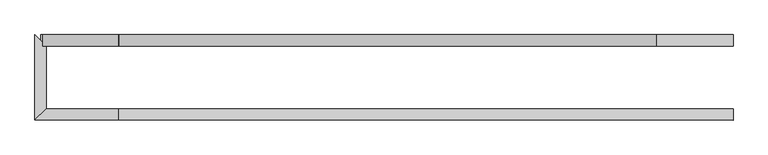
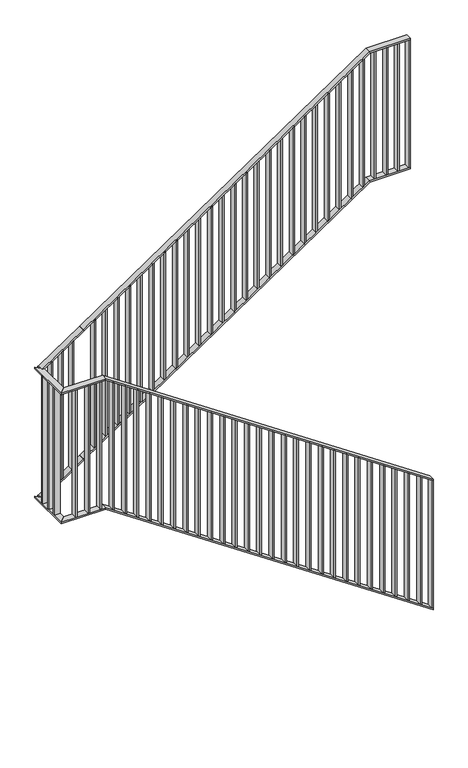
"""IFC4 building model written with IfcOpenShell, lengths in millimetres: railing geometry."""

import ifcopenshell
import ifcopenshell.guid

model = None  # the IFC model being written
_history = None  # IfcOwnerHistory: only IFC2X3 demands one
_inside = {}  # id of a spatial element -> (the spatial element, [elements in it])
_under = {}  # id of a project, library or spatial element -> (it, [spatial elements below it])
_declared = {}  # id of a project -> (the project, [libraries it declares])
_typed = {}  # id of a type object -> (the type object, [elements of that type])
_made_of = {}  # id of a material, layer set ... -> (it, [elements and type objects made of it])


def new_model(schema):
    """Start an empty IFC model of exactly this schema.

    Asked for "IFC4X3", IfcOpenShell would pick the latest addendum, in which some entities
    have other attributes; the version numbers below select the first issue.
    IFC2X3 requires an IfcOwnerHistory on every rooted entity: one is made here for all.
    """
    global model, _history
    if schema == "IFC4X3":
        model = ifcopenshell.file(schema_version=(4, 3, 0, 0))
    else:
        model = ifcopenshell.file(schema=schema)
    _inside.clear()
    _under.clear()
    _declared.clear()
    _typed.clear()
    _made_of.clear()
    _history = None
    if model.schema == "IFC2X3":
        org = make("IfcOrganization", Name="unknown")
        user = make(
            "IfcPersonAndOrganization",
            ThePerson=make("IfcPerson", FamilyName="unknown"),
            TheOrganization=org,
        )
        app = make(
            "IfcApplication",
            ApplicationDeveloper=org,
            Version="unknown",
            ApplicationFullName="unknown",
            ApplicationIdentifier="unknown",
        )
        _history = make(
            "IfcOwnerHistory",
            OwningUser=user,
            OwningApplication=app,
            ChangeAction="ADDED",
            CreationDate=0,
        )
    return model


def make(cls, **values):
    """One entity of the class cls with the attributes given. An attribute that is None is left unset."""
    return model.create_entity(
        cls, **{name: value for name, value in values.items() if value is not None}
    )


def rooted(cls, **values):
    """An entity with a GlobalId (a new one), such as an element, a storey or a relation."""
    return make(cls, GlobalId=ifcopenshell.guid.new(), OwnerHistory=_history, **values)


def si_unit(unit_type, name, prefix=None):
    """IfcSIUnit, for example si_unit("LENGTHUNIT", "METRE", prefix="MILLI")."""
    return make("IfcSIUnit", UnitType=unit_type, Prefix=prefix, Name=name)


def assignment(units):
    """IfcUnitAssignment: the units of a project."""
    return None if units is None else make("IfcUnitAssignment", Units=units)


def point(xyz):
    """IfcCartesianPoint."""
    return None if xyz is None else make("IfcCartesianPoint", Coordinates=xyz)


def direction(xyz):
    """IfcDirection."""
    return None if xyz is None else make("IfcDirection", DirectionRatios=xyz)


def frame(location, z_axis=None, x_axis=None):
    """IfcAxis2Placement3D, a coordinate frame: its origin and axes. An axis left out is left unset."""
    return make(
        "IfcAxis2Placement3D",
        Location=point(location),
        Axis=direction(z_axis),
        RefDirection=direction(x_axis),
    )


def origin():
    """The frame at (0, 0, 0) with its axes left unset."""
    return frame((0.0, 0.0, 0.0))


def place(relative_to, where):
    """IfcLocalPlacement: puts the frame where relative to a parent placement (None: the world)."""
    return make(
        "IfcLocalPlacement", PlacementRelTo=relative_to, RelativePlacement=where
    )


def context(
    kind, dimensions, precision=None, world=None, true_north=None, identifier=None
):
    """IfcGeometricRepresentationContext, for example the 3D "Model" context."""
    return make(
        "IfcGeometricRepresentationContext",
        ContextIdentifier=identifier,
        ContextType=kind,
        CoordinateSpaceDimension=dimensions,
        Precision=precision,
        WorldCoordinateSystem=world,
        TrueNorth=true_north,
    )


def project(units=None, contexts=None):
    """IfcProject with its units and contexts."""
    return rooted(
        "IfcProject",
        Name="project",
        RepresentationContexts=contexts,
        UnitsInContext=assignment(units),
    )


def spatial(cls, under=None, at=None, **own):
    """A site, building, storey or space (cls), placed at a placement, below another one or the project."""
    s = rooted(cls, ObjectPlacement=at, **own)
    if under is not None:
        _under.setdefault(under.id(), (under, []))[1].append(s)
    return s


def polyline(points):
    """IfcPolyline through the points."""
    return make("IfcPolyline", Points=[point(p) for p in points])


def outline(outer, holes=None, kind="AREA"):
    """IfcArbitraryClosedProfileDef: a profile drawn as a closed curve; with holes, ...WithVoids."""
    if holes is None:
        return make("IfcArbitraryClosedProfileDef", ProfileType=kind, OuterCurve=outer)
    return make(
        "IfcArbitraryProfileDefWithVoids",
        ProfileType=kind,
        OuterCurve=outer,
        InnerCurves=holes,
    )


def extrude(swept, where, along, depth):
    """IfcExtrudedAreaSolid: the profile swept, set in the frame where, extruded along a direction by depth."""
    return make(
        "IfcExtrudedAreaSolid",
        SweptArea=swept,
        Position=where,
        ExtrudedDirection=direction(along),
        Depth=depth,
    )


def faces_of(points, faces, orient=None, outer=None):
    """IfcFace entities. A face is a list of loops; a loop is a list of indices into points, from 0.

    orient and outer hold one flag for each loop. By default every Orientation is true, the
    first loop of a face is its IfcFaceOuterBound and the others are IfcFaceBound.
    """
    made = []
    for i, loops in enumerate(faces):
        bounds = []
        for j, loop in enumerate(loops):
            is_outer = j == 0 if outer is None else outer[i][j]
            bounds.append(
                make(
                    "IfcFaceOuterBound" if is_outer else "IfcFaceBound",
                    Bound=make("IfcPolyLoop", Polygon=[points[k] for k in loop]),
                    Orientation=True if orient is None else orient[i][j],
                )
            )
        made.append(make("IfcFace", Bounds=bounds))
    return made


def faceted_brep(points, faces, orient=None, outer=None, voids=None):
    """IfcFacetedBrep: a solid bounded by flat faces; with voids (closed shells), ...WithVoids."""
    shared = [point(p) for p in points]
    hull = make("IfcClosedShell", CfsFaces=faces_of(shared, faces, orient, outer))
    if voids is None:
        return make("IfcFacetedBrep", Outer=hull)
    return make(
        "IfcFacetedBrepWithVoids",
        Outer=hull,
        Voids=[
            make(cls, CfsFaces=faces_of(shared, fs, o, b)) for cls, fs, o, b in voids
        ],
    )


def shape(context_of_items, identifier, shape_type, items):
    """IfcShapeRepresentation: the items that make up one representation, for example the "Body"."""
    return make(
        "IfcShapeRepresentation",
        ContextOfItems=context_of_items,
        RepresentationIdentifier=identifier,
        RepresentationType=shape_type,
        Items=items,
    )


def source(mapping_origin, context_of_items, identifier, shape_type, items):
    """IfcRepresentationMap: a shape defined once, which mapped items show again and again."""
    return make(
        "IfcRepresentationMap",
        MappingOrigin=mapping_origin,
        MappedRepresentation=shape(context_of_items, identifier, shape_type, items),
    )


def transform(
    local_origin,
    x_axis=None,
    y_axis=None,
    z_axis=None,
    scale=None,
    scale2=None,
    scale3=None,
    uniform=True,
):
    """IfcCartesianTransformationOperator3D, or its non-uniform kind. x_axis, y_axis, z_axis: its Axis1, 2, 3."""
    if uniform:
        return make(
            "IfcCartesianTransformationOperator3D",
            Axis1=direction(x_axis),
            Axis2=direction(y_axis),
            LocalOrigin=point(local_origin),
            Scale=scale,
            Axis3=direction(z_axis),
        )
    return make(
        "IfcCartesianTransformationOperator3DnonUniform",
        Axis1=direction(x_axis),
        Axis2=direction(y_axis),
        LocalOrigin=point(local_origin),
        Scale=scale,
        Axis3=direction(z_axis),
        Scale2=scale2,
        Scale3=scale3,
    )


def mapped(mapping_source, mapping_target):
    """IfcMappedItem: shows the shape of a source again, moved by a transform."""
    return make(
        "IfcMappedItem", MappingSource=mapping_source, MappingTarget=mapping_target
    )


def made_of(thing, what):
    """Note that an element or type object is made of a material, layer set ...; save() writes the relation."""
    if what is not None:
        _made_of.setdefault(what.id(), (what, []))[1].append(thing)
    return thing


def element(
    cls,
    number,
    at=None,
    inside=None,
    cuts=None,
    type_object=None,
    material=None,
    context=None,
    identifier="Body",
    shape_type=None,
    held_by="IfcProductDefinitionShape",
    body=None,
    shapes=None,
    **own,
):
    """One element of the class cls, such as IfcWall. Its Tag is "e" and its number.

    at: its placement. inside: the storey or other place that contains it. cuts: it is an
    opening in that element (IfcRelVoidsElement). A single representation is given by context,
    identifier, shape_type and body (its items); several are given by shapes. held_by: the class
    of the entity that holds the representations. save() writes the other relations.
    """
    e = rooted(cls, Tag="e%d" % number, ObjectPlacement=at, **own)
    if body is not None:
        shapes = [shape(context, identifier, shape_type, body)]
    if shapes is not None:
        e.Representation = make(held_by, Representations=shapes)
    if inside is not None:
        _inside.setdefault(inside.id(), (inside, []))[1].append(e)
    if cuts is not None:
        rooted(
            "IfcRelVoidsElement", RelatingBuildingElement=cuts, RelatedOpeningElement=e
        )
    if type_object is not None:
        _typed.setdefault(type_object.id(), (type_object, []))[1].append(e)
    return made_of(e, material)


def aggregate(whole, parts):
    """IfcRelAggregates: a whole, such as a stair, and the parts it consists of."""
    return rooted("IfcRelAggregates", RelatingObject=whole, RelatedObjects=parts)


def save(model, path):
    """Write the relations noted so far, then the file.

    IfcRelAggregates (storeys below a building ...), IfcRelContainedInSpatialStructure (elements
    in a storey), IfcRelDefinesByType, IfcRelAssociatesMaterial and IfcRelDeclares: one each for
    every whole, place, type object, material and project.
    """
    for whole, parts in _under.values():
        aggregate(whole, parts)
    for where, things in _inside.values():
        rooted(
            "IfcRelContainedInSpatialStructure",
            RelatedElements=things,
            RelatingStructure=where,
        )
    for kind, things in _typed.values():
        rooted("IfcRelDefinesByType", RelatedObjects=things, RelatingType=kind)
    for what, things in _made_of.values():
        rooted("IfcRelAssociatesMaterial", RelatedObjects=things, RelatingMaterial=what)
    for by, libraries in _declared.values():
        rooted("IfcRelDeclares", RelatingContext=by, RelatedDefinitions=libraries)
    model.write(path)


def railing_4887252e(model_context):
    return source(origin(), model_context, "Body", "SolidModel", [
        faceted_brep([(12232.6470588, 6164.6, 1182.3529412), (12232.6470588, 6124.6, 1182.3529412), (12232.6470588, 6124.6, 1170.2899909), (12232.6470588, 6164.6, 1170.2899909), (10070.2941176, 6164.6, 2641.1764706), (10070.2941176, 6124.6, 2641.1764706), (10067.2362929, 6124.6, 2631.1764706), (10067.2362929, 6164.6, 2631.1764706), (9814.6, 6164.6, 2641.1764706), (9814.6, 6164.6, 2631.1764706), (9774.6, 6124.6, 2631.1764706), (9774.6, 6124.6, 2641.1764706)], [[[0, 1, 2, 3]], [[1, 0, 4, 5]], [[2, 1, 5, 6]], [[3, 2, 6, 7]], [[0, 3, 7, 4]], [[8, 9, 10, 11]], [[5, 4, 8, 11]], [[6, 5, 11, 10]], [[7, 6, 10, 9]], [[4, 7, 9, 8]]]),
        faceted_brep([(9814.6, 6164.6, 2641.1764706), (9774.6, 6124.6, 2641.1764706), (9774.6, 6124.6, 2631.1764706), (9814.6, 6164.6, 2631.1764706), (9814.6, 6385.4, 2641.1764706), (9814.6, 6385.4, 2631.1764706), (9774.6, 6425.4, 2631.1764706), (9774.6, 6425.4, 2641.1764706)], [[[0, 1, 2, 3]], [[4, 5, 6, 7]], [[1, 0, 4, 7]], [[2, 1, 7, 6]], [[3, 2, 6, 5]], [[0, 3, 5, 4]]]),
        faceted_brep([(9794.6, 6385.4, 2641.1764706), (9794.6, 6425.4, 2641.1764706), (9794.6, 6425.4, 2631.1764706), (9794.6, 6385.4, 2631.1764706), (9800.0, 6385.4, 2641.1764706), (9800.0, 6425.4, 2641.1764706), (9803.0578247, 6425.4, 2631.1764706), (9803.0578247, 6385.4, 2631.1764706), (10070.2941176, 6385.4, 2823.5294118), (10075.886832, 6385.4, 2815.2395658), (10075.886832, 6425.4, 2815.2395658), (10070.2941176, 6425.4, 2823.5294118)], [[[0, 1, 2, 3]], [[1, 0, 4, 5]], [[2, 1, 5, 6]], [[3, 2, 6, 7]], [[0, 3, 7, 4]], [[8, 9, 10, 11]], [[5, 4, 8, 11]], [[6, 5, 11, 10]], [[7, 6, 10, 9]], [[4, 7, 9, 8]]]),
        faceted_brep([(10070.2941176, 6385.4, 2823.5294118), (10070.2941176, 6425.4, 2823.5294118), (10075.886832, 6425.4, 2815.2395658), (10075.886832, 6385.4, 2815.2395658), (11962.3529412, 6385.4, 4100.0), (11962.3529412, 6425.4, 4100.0), (11965.4107659, 6425.4, 4090.0), (11965.4107659, 6385.4, 4090.0), (12232.6470588, 6385.4, 4100.0), (12232.6470588, 6385.4, 4090.0), (12232.6470588, 6425.4, 4090.0), (12232.6470588, 6425.4, 4100.0)], [[[0, 1, 2, 3]], [[1, 0, 4, 5]], [[2, 1, 5, 6]], [[3, 2, 6, 7]], [[0, 3, 7, 4]], [[8, 9, 10, 11]], [[5, 4, 8, 11]], [[6, 5, 11, 10]], [[7, 6, 10, 9]], [[4, 7, 9, 8]]]),
        faceted_brep([(12232.6470588, 6164.6, 282.3529412), (12232.6470588, 6124.6, 282.3529412), (12232.6470588, 6124.6, 270.2899909), (12232.6470588, 6164.6, 270.2899909), (10070.2941176, 6164.6, 1741.1764706), (10070.2941176, 6124.6, 1741.1764706), (10067.2362929, 6124.6, 1731.1764706), (10067.2362929, 6164.6, 1731.1764706), (9814.6, 6164.6, 1741.1764706), (9814.6, 6164.6, 1731.1764706), (9774.6, 6124.6, 1731.1764706), (9774.6, 6124.6, 1741.1764706)], [[[0, 1, 2, 3]], [[1, 0, 4, 5]], [[2, 1, 5, 6]], [[3, 2, 6, 7]], [[0, 3, 7, 4]], [[8, 9, 10, 11]], [[5, 4, 8, 11]], [[6, 5, 11, 10]], [[7, 6, 10, 9]], [[4, 7, 9, 8]]]),
        faceted_brep([(9814.6, 6164.6, 1741.1764706), (9774.6, 6124.6, 1741.1764706), (9774.6, 6124.6, 1731.1764706), (9814.6, 6164.6, 1731.1764706), (9814.6, 6385.4, 1741.1764706), (9814.6, 6385.4, 1731.1764706), (9774.6, 6425.4, 1731.1764706), (9774.6, 6425.4, 1741.1764706)], [[[0, 1, 2, 3]], [[4, 5, 6, 7]], [[1, 0, 4, 7]], [[2, 1, 7, 6]], [[3, 2, 6, 5]], [[0, 3, 5, 4]]]),
        faceted_brep([(9794.6, 6385.4, 1741.1764706), (9794.6, 6425.4, 1741.1764706), (9794.6, 6425.4, 1731.1764706), (9794.6, 6385.4, 1731.1764706), (9800.0, 6385.4, 1741.1764706), (9800.0, 6425.4, 1741.1764706), (9803.0578247, 6425.4, 1731.1764706), (9803.0578247, 6385.4, 1731.1764706), (10070.2941176, 6385.4, 1923.5294118), (10075.886832, 6385.4, 1915.2395658), (10075.886832, 6425.4, 1915.2395658), (10070.2941176, 6425.4, 1923.5294118)], [[[0, 1, 2, 3]], [[1, 0, 4, 5]], [[2, 1, 5, 6]], [[3, 2, 6, 7]], [[0, 3, 7, 4]], [[8, 9, 10, 11]], [[5, 4, 8, 11]], [[6, 5, 11, 10]], [[7, 6, 10, 9]], [[4, 7, 9, 8]]]),
        faceted_brep([(10070.2941176, 6385.4, 1923.5294118), (10070.2941176, 6425.4, 1923.5294118), (10075.886832, 6425.4, 1915.2395658), (10075.886832, 6385.4, 1915.2395658), (11962.3529412, 6385.4, 3200.0), (11962.3529412, 6425.4, 3200.0), (11965.4107659, 6425.4, 3190.0), (11965.4107659, 6385.4, 3190.0), (12232.6470588, 6385.4, 3200.0), (12232.6470588, 6385.4, 3190.0), (12232.6470588, 6425.4, 3190.0), (12232.6470588, 6425.4, 3200.0)], [[[0, 1, 2, 3]], [[1, 0, 4, 5]], [[2, 1, 5, 6]], [[3, 2, 6, 7]], [[0, 3, 7, 4]], [[8, 9, 10, 11]], [[5, 4, 8, 11]], [[6, 5, 11, 10]], [[7, 6, 10, 9]], [[4, 7, 9, 8]]]),
        extrude(outline(polyline([(12150.4201681, 6385.4), (12150.4201681, 6425.4), (12160.4201681, 6425.4), (12160.4201681, 6385.4), (12150.4201681, 6385.4)])), frame((0.0, 0.0, 3200.0), z_axis=(0.0, 0.0, 1.0), x_axis=(1.0, 0.0, 0.0)), (0.0, 0.0, 1.0), 890.0),
        extrude(outline(polyline([(12073.1932773, 6385.4), (12073.1932773, 6425.4), (12083.1932773, 6425.4), (12083.1932773, 6385.4), (12073.1932773, 6385.4)])), frame((0.0, 0.0, 3200.0), z_axis=(0.0, 0.0, 1.0), x_axis=(1.0, 0.0, 0.0)), (0.0, 0.0, 1.0), 890.0),
        extrude(outline(polyline([(11995.9663866, 6385.4), (11995.9663866, 6425.4), (12005.9663866, 6425.4), (12005.9663866, 6385.4), (11995.9663866, 6385.4)])), frame((0.0, 0.0, 3200.0), z_axis=(0.0, 0.0, 1.0), x_axis=(1.0, 0.0, 0.0)), (0.0, 0.0, 1.0), 890.0),
        extrude(outline(polyline([(4060.5763481, 11918.7394958), (3170.5763481, 11918.7394958), (3177.3228116, 11928.7394958), (4067.3228116, 11928.7394958), (4060.5763481, 11918.7394958)])), frame((0.0, 6385.4, 0.0), z_axis=(0.0, 1.0, 0.0), x_axis=(0.0, 0.0, 1.0)), (0.0, 0.0, 1.0), 40.0),
        extrude(outline(polyline([(4008.4755077, 11841.512605), (3118.4755077, 11841.512605), (3125.2219713, 11851.512605), (4015.2219713, 11851.512605), (4008.4755077, 11841.512605)])), frame((0.0, 6385.4, 0.0), z_axis=(0.0, 1.0, 0.0), x_axis=(0.0, 0.0, 1.0)), (0.0, 0.0, 1.0), 40.0),
        extrude(outline(polyline([(3956.3746674, 11764.2857143), (3066.3746674, 11764.2857143), (3073.1211309, 11774.2857143), (3963.1211309, 11774.2857143), (3956.3746674, 11764.2857143)])), frame((0.0, 6385.4, 0.0), z_axis=(0.0, 1.0, 0.0), x_axis=(0.0, 0.0, 1.0)), (0.0, 0.0, 1.0), 40.0),
        extrude(outline(polyline([(3904.273827, 11687.0588235), (3014.273827, 11687.0588235), (3021.0202906, 11697.0588235), (3911.0202906, 11697.0588235), (3904.273827, 11687.0588235)])), frame((0.0, 6385.4, 0.0), z_axis=(0.0, 1.0, 0.0), x_axis=(0.0, 0.0, 1.0)), (0.0, 0.0, 1.0), 40.0),
        extrude(outline(polyline([(3852.1729867, 11609.8319328), (2962.1729867, 11609.8319328), (2968.9194503, 11619.8319328), (3858.9194503, 11619.8319328), (3852.1729867, 11609.8319328)])), frame((0.0, 6385.4, 0.0), z_axis=(0.0, 1.0, 0.0), x_axis=(0.0, 0.0, 1.0)), (0.0, 0.0, 1.0), 40.0),
        extrude(outline(polyline([(3800.0721464, 11532.605042), (2910.0721464, 11532.605042), (2916.8186099, 11542.605042), (3806.8186099, 11542.605042), (3800.0721464, 11532.605042)])), frame((0.0, 6385.4, 0.0), z_axis=(0.0, 1.0, 0.0), x_axis=(0.0, 0.0, 1.0)), (0.0, 0.0, 1.0), 40.0),
        extrude(outline(polyline([(3747.971306, 11455.3781513), (2857.971306, 11455.3781513), (2864.7177696, 11465.3781513), (3754.7177696, 11465.3781513), (3747.971306, 11455.3781513)])), frame((0.0, 6385.4, 0.0), z_axis=(0.0, 1.0, 0.0), x_axis=(0.0, 0.0, 1.0)), (0.0, 0.0, 1.0), 40.0),
        extrude(outline(polyline([(3695.8704657, 11378.1512605), (2805.8704657, 11378.1512605), (2812.6169293, 11388.1512605), (3702.6169293, 11388.1512605), (3695.8704657, 11378.1512605)])), frame((0.0, 6385.4, 0.0), z_axis=(0.0, 1.0, 0.0), x_axis=(0.0, 0.0, 1.0)), (0.0, 0.0, 1.0), 40.0),
        extrude(outline(polyline([(3643.7696254, 11300.9243697), (2753.7696254, 11300.9243697), (2760.5160889, 11310.9243697), (3650.5160889, 11310.9243697), (3643.7696254, 11300.9243697)])), frame((0.0, 6385.4, 0.0), z_axis=(0.0, 1.0, 0.0), x_axis=(0.0, 0.0, 1.0)), (0.0, 0.0, 1.0), 40.0),
        extrude(outline(polyline([(3591.668785, 11223.697479), (2701.668785, 11223.697479), (2708.4152486, 11233.697479), (3598.4152486, 11233.697479), (3591.668785, 11223.697479)])), frame((0.0, 6385.4, 0.0), z_axis=(0.0, 1.0, 0.0), x_axis=(0.0, 0.0, 1.0)), (0.0, 0.0, 1.0), 40.0),
        extrude(outline(polyline([(3539.5679447, 11146.4705882), (2649.5679447, 11146.4705882), (2656.3144082, 11156.4705882), (3546.3144082, 11156.4705882), (3539.5679447, 11146.4705882)])), frame((0.0, 6385.4, 0.0), z_axis=(0.0, 1.0, 0.0), x_axis=(0.0, 0.0, 1.0)), (0.0, 0.0, 1.0), 40.0),
        extrude(outline(polyline([(3487.4671044, 11069.2436975), (2597.4671044, 11069.2436975), (2604.2135679, 11079.2436975), (3494.2135679, 11079.2436975), (3487.4671044, 11069.2436975)])), frame((0.0, 6385.4, 0.0), z_axis=(0.0, 1.0, 0.0), x_axis=(0.0, 0.0, 1.0)), (0.0, 0.0, 1.0), 40.0),
        extrude(outline(polyline([(3435.366264, 10992.0168067), (2545.366264, 10992.0168067), (2552.1127276, 11002.0168067), (3442.1127276, 11002.0168067), (3435.366264, 10992.0168067)])), frame((0.0, 6385.4, 0.0), z_axis=(0.0, 1.0, 0.0), x_axis=(0.0, 0.0, 1.0)), (0.0, 0.0, 1.0), 40.0),
        extrude(outline(polyline([(3383.2654237, 10914.789916), (2493.2654237, 10914.789916), (2500.0118872, 10924.789916), (3390.0118872, 10924.789916), (3383.2654237, 10914.789916)])), frame((0.0, 6385.4, 0.0), z_axis=(0.0, 1.0, 0.0), x_axis=(0.0, 0.0, 1.0)), (0.0, 0.0, 1.0), 40.0),
        extrude(outline(polyline([(3331.1645834, 10837.5630252), (2441.1645834, 10837.5630252), (2447.9110469, 10847.5630252), (3337.9110469, 10847.5630252), (3331.1645834, 10837.5630252)])), frame((0.0, 6385.4, 0.0), z_axis=(0.0, 1.0, 0.0), x_axis=(0.0, 0.0, 1.0)), (0.0, 0.0, 1.0), 40.0),
        extrude(outline(polyline([(3279.063743, 10760.3361345), (2389.063743, 10760.3361345), (2395.8102066, 10770.3361345), (3285.8102066, 10770.3361345), (3279.063743, 10760.3361345)])), frame((0.0, 6385.4, 0.0), z_axis=(0.0, 1.0, 0.0), x_axis=(0.0, 0.0, 1.0)), (0.0, 0.0, 1.0), 40.0),
        extrude(outline(polyline([(3226.9629027, 10683.1092437), (2336.9629027, 10683.1092437), (2343.7093662, 10693.1092437), (3233.7093662, 10693.1092437), (3226.9629027, 10683.1092437)])), frame((0.0, 6385.4, 0.0), z_axis=(0.0, 1.0, 0.0), x_axis=(0.0, 0.0, 1.0)), (0.0, 0.0, 1.0), 40.0),
        extrude(outline(polyline([(3174.8620623, 10605.8823529), (2284.8620623, 10605.8823529), (2291.6085259, 10615.8823529), (3181.6085259, 10615.8823529), (3174.8620623, 10605.8823529)])), frame((0.0, 6385.4, 0.0), z_axis=(0.0, 1.0, 0.0), x_axis=(0.0, 0.0, 1.0)), (0.0, 0.0, 1.0), 40.0),
        extrude(outline(polyline([(3122.761222, 10528.6554622), (2232.761222, 10528.6554622), (2239.5076856, 10538.6554622), (3129.5076856, 10538.6554622), (3122.761222, 10528.6554622)])), frame((0.0, 6385.4, 0.0), z_axis=(0.0, 1.0, 0.0), x_axis=(0.0, 0.0, 1.0)), (0.0, 0.0, 1.0), 40.0),
        extrude(outline(polyline([(3070.6603817, 10451.4285714), (2180.6603817, 10451.4285714), (2187.4068452, 10461.4285714), (3077.4068452, 10461.4285714), (3070.6603817, 10451.4285714)])), frame((0.0, 6385.4, 0.0), z_axis=(0.0, 1.0, 0.0), x_axis=(0.0, 0.0, 1.0)), (0.0, 0.0, 1.0), 40.0),
        extrude(outline(polyline([(3018.5595413, 10374.2016807), (2128.5595413, 10374.2016807), (2135.3060049, 10384.2016807), (3025.3060049, 10384.2016807), (3018.5595413, 10374.2016807)])), frame((0.0, 6385.4, 0.0), z_axis=(0.0, 1.0, 0.0), x_axis=(0.0, 0.0, 1.0)), (0.0, 0.0, 1.0), 40.0),
        extrude(outline(polyline([(2966.458701, 10296.9747899), (2076.458701, 10296.9747899), (2083.2051645, 10306.9747899), (2973.2051645, 10306.9747899), (2966.458701, 10296.9747899)])), frame((0.0, 6385.4, 0.0), z_axis=(0.0, 1.0, 0.0), x_axis=(0.0, 0.0, 1.0)), (0.0, 0.0, 1.0), 40.0),
        extrude(outline(polyline([(2914.3578607, 10219.7478992), (2024.3578607, 10219.7478992), (2031.1043242, 10229.7478992), (2921.1043242, 10229.7478992), (2914.3578607, 10219.7478992)])), frame((0.0, 6385.4, 0.0), z_axis=(0.0, 1.0, 0.0), x_axis=(0.0, 0.0, 1.0)), (0.0, 0.0, 1.0), 40.0),
        extrude(outline(polyline([(2862.2570203, 10142.5210084), (1972.2570203, 10142.5210084), (1979.0034839, 10152.5210084), (2869.0034839, 10152.5210084), (2862.2570203, 10142.5210084)])), frame((0.0, 6385.4, 0.0), z_axis=(0.0, 1.0, 0.0), x_axis=(0.0, 0.0, 1.0)), (0.0, 0.0, 1.0), 40.0),
        extrude(outline(polyline([(2763.6571721, 9996.3705882), (1873.6571721, 9996.3705882), (1880.4036357, 10006.3705882), (2770.4036357, 10006.3705882), (2763.6571721, 9996.3705882)])), frame((0.0, 6385.4, 0.0), z_axis=(0.0, 1.0, 0.0), x_axis=(0.0, 0.0, 1.0)), (0.0, 0.0, 1.0), 40.0),
        extrude(outline(polyline([(2717.1581642, 9927.4470588), (1827.1581642, 9927.4470588), (1833.9046278, 9937.4470588), (2723.9046278, 9937.4470588), (2717.1581642, 9927.4470588)])), frame((0.0, 6385.4, 0.0), z_axis=(0.0, 1.0, 0.0), x_axis=(0.0, 0.0, 1.0)), (0.0, 0.0, 1.0), 40.0),
        extrude(outline(polyline([(2670.6591564, 9858.5235294), (1780.6591564, 9858.5235294), (1787.4056199, 9868.5235294), (2677.4056199, 9868.5235294), (2670.6591564, 9858.5235294)])), frame((0.0, 6385.4, 0.0), z_axis=(0.0, 1.0, 0.0), x_axis=(0.0, 0.0, 1.0)), (0.0, 0.0, 1.0), 40.0),
        extrude(outline(polyline([(9814.6, 6335.2), (9774.6, 6335.2), (9774.6, 6345.2), (9814.6, 6345.2), (9814.6, 6335.2)])), frame((0.0, 0.0, 1741.1764706), z_axis=(0.0, 0.0, 1.0), x_axis=(1.0, 0.0, 0.0)), (0.0, 0.0, 1.0), 890.0),
        extrude(outline(polyline([(9814.6, 6270.0), (9774.6, 6270.0), (9774.6, 6280.0), (9814.6, 6280.0), (9814.6, 6270.0)])), frame((0.0, 0.0, 1741.1764706), z_axis=(0.0, 0.0, 1.0), x_axis=(1.0, 0.0, 0.0)), (0.0, 0.0, 1.0), 890.0),
        extrude(outline(polyline([(9814.6, 6204.8), (9774.6, 6204.8), (9774.6, 6214.8), (9814.6, 6214.8), (9814.6, 6204.8)])), frame((0.0, 0.0, 1741.1764706), z_axis=(0.0, 0.0, 1.0), x_axis=(1.0, 0.0, 0.0)), (0.0, 0.0, 1.0), 890.0),
        extrude(outline(polyline([(9880.8682353, 6164.6), (9880.8682353, 6124.6), (9870.8682353, 6124.6), (9870.8682353, 6164.6), (9880.8682353, 6164.6)])), frame((0.0, 0.0, 1741.1764706), z_axis=(0.0, 0.0, 1.0), x_axis=(1.0, 0.0, 0.0)), (0.0, 0.0, 1.0), 890.0),
        extrude(outline(polyline([(9962.1364706, 6164.6), (9962.1364706, 6124.6), (9952.1364706, 6124.6), (9952.1364706, 6164.6), (9962.1364706, 6164.6)])), frame((0.0, 0.0, 1741.1764706), z_axis=(0.0, 0.0, 1.0), x_axis=(1.0, 0.0, 0.0)), (0.0, 0.0, 1.0), 890.0),
        extrude(outline(polyline([(10043.4047059, 6164.6), (10043.4047059, 6124.6), (10033.4047059, 6124.6), (10033.4047059, 6164.6), (10043.4047059, 6164.6)])), frame((0.0, 0.0, 1741.1764706), z_axis=(0.0, 0.0, 1.0), x_axis=(1.0, 0.0, 0.0)), (0.0, 0.0, 1.0), 890.0),
        extrude(outline(polyline([(1704.4899955, 10124.6729412), (2594.4899955, 10124.6729412), (2601.2364591, 10114.6729412), (1711.2364591, 10114.6729412), (1704.4899955, 10124.6729412)])), frame((0.0, 6124.6, 0.0), z_axis=(0.0, 1.0, 0.0), x_axis=(0.0, 0.0, 1.0)), (0.0, 0.0, 1.0), 40.0),
        extrude(outline(polyline([(1649.6626768, 10205.9411765), (2539.6626768, 10205.9411765), (2546.4091404, 10195.9411765), (1656.4091404, 10195.9411765), (1649.6626768, 10205.9411765)])), frame((0.0, 6124.6, 0.0), z_axis=(0.0, 1.0, 0.0), x_axis=(0.0, 0.0, 1.0)), (0.0, 0.0, 1.0), 40.0),
        extrude(outline(polyline([(1594.8353581, 10287.2094118), (2484.8353581, 10287.2094118), (2491.5818217, 10277.2094118), (1601.5818217, 10277.2094118), (1594.8353581, 10287.2094118)])), frame((0.0, 6124.6, 0.0), z_axis=(0.0, 1.0, 0.0), x_axis=(0.0, 0.0, 1.0)), (0.0, 0.0, 1.0), 40.0),
        extrude(outline(polyline([(1540.0080394, 10368.4776471), (2430.0080394, 10368.4776471), (2436.754503, 10358.4776471), (1546.754503, 10358.4776471), (1540.0080394, 10368.4776471)])), frame((0.0, 6124.6, 0.0), z_axis=(0.0, 1.0, 0.0), x_axis=(0.0, 0.0, 1.0)), (0.0, 0.0, 1.0), 40.0),
        extrude(outline(polyline([(1485.1807207, 10449.7458824), (2375.1807207, 10449.7458824), (2381.9271843, 10439.7458824), (1491.9271843, 10439.7458824), (1485.1807207, 10449.7458824)])), frame((0.0, 6124.6, 0.0), z_axis=(0.0, 1.0, 0.0), x_axis=(0.0, 0.0, 1.0)), (0.0, 0.0, 1.0), 40.0),
        extrude(outline(polyline([(1430.353402, 10531.0141176), (2320.353402, 10531.0141176), (2327.0998656, 10521.0141176), (1437.0998656, 10521.0141176), (1430.353402, 10531.0141176)])), frame((0.0, 6124.6, 0.0), z_axis=(0.0, 1.0, 0.0), x_axis=(0.0, 0.0, 1.0)), (0.0, 0.0, 1.0), 40.0),
        extrude(outline(polyline([(1375.5260833, 10612.2823529), (2265.5260833, 10612.2823529), (2272.2725469, 10602.2823529), (1382.2725469, 10602.2823529), (1375.5260833, 10612.2823529)])), frame((0.0, 6124.6, 0.0), z_axis=(0.0, 1.0, 0.0), x_axis=(0.0, 0.0, 1.0)), (0.0, 0.0, 1.0), 40.0),
        extrude(outline(polyline([(1320.6987646, 10693.5505882), (2210.6987646, 10693.5505882), (2217.4452282, 10683.5505882), (1327.4452282, 10683.5505882), (1320.6987646, 10693.5505882)])), frame((0.0, 6124.6, 0.0), z_axis=(0.0, 1.0, 0.0), x_axis=(0.0, 0.0, 1.0)), (0.0, 0.0, 1.0), 40.0),
        extrude(outline(polyline([(1265.8714459, 10774.8188235), (2155.8714459, 10774.8188235), (2162.6179095, 10764.8188235), (1272.6179095, 10764.8188235), (1265.8714459, 10774.8188235)])), frame((0.0, 6124.6, 0.0), z_axis=(0.0, 1.0, 0.0), x_axis=(0.0, 0.0, 1.0)), (0.0, 0.0, 1.0), 40.0),
        extrude(outline(polyline([(1211.0441272, 10856.0870588), (2101.0441272, 10856.0870588), (2107.7905908, 10846.0870588), (1217.7905908, 10846.0870588), (1211.0441272, 10856.0870588)])), frame((0.0, 6124.6, 0.0), z_axis=(0.0, 1.0, 0.0), x_axis=(0.0, 0.0, 1.0)), (0.0, 0.0, 1.0), 40.0),
        extrude(outline(polyline([(1156.2168086, 10937.3552941), (2046.2168086, 10937.3552941), (2052.9632721, 10927.3552941), (1162.9632721, 10927.3552941), (1156.2168086, 10937.3552941)])), frame((0.0, 6124.6, 0.0), z_axis=(0.0, 1.0, 0.0), x_axis=(0.0, 0.0, 1.0)), (0.0, 0.0, 1.0), 40.0),
        extrude(outline(polyline([(1101.3894899, 11018.6235294), (1991.3894899, 11018.6235294), (1998.1359534, 11008.6235294), (1108.1359534, 11008.6235294), (1101.3894899, 11018.6235294)])), frame((0.0, 6124.6, 0.0), z_axis=(0.0, 1.0, 0.0), x_axis=(0.0, 0.0, 1.0)), (0.0, 0.0, 1.0), 40.0),
        extrude(outline(polyline([(1046.5621712, 11099.8917647), (1936.5621712, 11099.8917647), (1943.3086347, 11089.8917647), (1053.3086347, 11089.8917647), (1046.5621712, 11099.8917647)])), frame((0.0, 6124.6, 0.0), z_axis=(0.0, 1.0, 0.0), x_axis=(0.0, 0.0, 1.0)), (0.0, 0.0, 1.0), 40.0),
        extrude(outline(polyline([(991.7348525, 11181.16), (1881.7348525, 11181.16), (1888.481316, 11171.16), (998.481316, 11171.16), (991.7348525, 11181.16)])), frame((0.0, 6124.6, 0.0), z_axis=(0.0, 1.0, 0.0), x_axis=(0.0, 0.0, 1.0)), (0.0, 0.0, 1.0), 40.0),
        extrude(outline(polyline([(936.9075338, 11262.4282353), (1826.9075338, 11262.4282353), (1833.6539973, 11252.4282353), (943.6539973, 11252.4282353), (936.9075338, 11262.4282353)])), frame((0.0, 6124.6, 0.0), z_axis=(0.0, 1.0, 0.0), x_axis=(0.0, 0.0, 1.0)), (0.0, 0.0, 1.0), 40.0),
        extrude(outline(polyline([(882.0802151, 11343.6964706), (1772.0802151, 11343.6964706), (1778.8266786, 11333.6964706), (888.8266786, 11333.6964706), (882.0802151, 11343.6964706)])), frame((0.0, 6124.6, 0.0), z_axis=(0.0, 1.0, 0.0), x_axis=(0.0, 0.0, 1.0)), (0.0, 0.0, 1.0), 40.0),
        extrude(outline(polyline([(827.2528964, 11424.9647059), (1717.2528964, 11424.9647059), (1723.9993599, 11414.9647059), (833.9993599, 11414.9647059), (827.2528964, 11424.9647059)])), frame((0.0, 6124.6, 0.0), z_axis=(0.0, 1.0, 0.0), x_axis=(0.0, 0.0, 1.0)), (0.0, 0.0, 1.0), 40.0),
        extrude(outline(polyline([(772.4255777, 11506.2329412), (1662.4255777, 11506.2329412), (1669.1720412, 11496.2329412), (779.1720412, 11496.2329412), (772.4255777, 11506.2329412)])), frame((0.0, 6124.6, 0.0), z_axis=(0.0, 1.0, 0.0), x_axis=(0.0, 0.0, 1.0)), (0.0, 0.0, 1.0), 40.0),
        extrude(outline(polyline([(717.598259, 11587.5011765), (1607.598259, 11587.5011765), (1614.3447225, 11577.5011765), (724.3447225, 11577.5011765), (717.598259, 11587.5011765)])), frame((0.0, 6124.6, 0.0), z_axis=(0.0, 1.0, 0.0), x_axis=(0.0, 0.0, 1.0)), (0.0, 0.0, 1.0), 40.0),
        extrude(outline(polyline([(662.7709403, 11668.7694118), (1552.7709403, 11668.7694118), (1559.5174038, 11658.7694118), (669.5174038, 11658.7694118), (662.7709403, 11668.7694118)])), frame((0.0, 6124.6, 0.0), z_axis=(0.0, 1.0, 0.0), x_axis=(0.0, 0.0, 1.0)), (0.0, 0.0, 1.0), 40.0),
        extrude(outline(polyline([(607.9436216, 11750.0376471), (1497.9436216, 11750.0376471), (1504.6900851, 11740.0376471), (614.6900851, 11740.0376471), (607.9436216, 11750.0376471)])), frame((0.0, 6124.6, 0.0), z_axis=(0.0, 1.0, 0.0), x_axis=(0.0, 0.0, 1.0)), (0.0, 0.0, 1.0), 40.0),
        extrude(outline(polyline([(553.1163029, 11831.3058824), (1443.1163029, 11831.3058824), (1449.8627664, 11821.3058824), (559.8627664, 11821.3058824), (553.1163029, 11831.3058824)])), frame((0.0, 6124.6, 0.0), z_axis=(0.0, 1.0, 0.0), x_axis=(0.0, 0.0, 1.0)), (0.0, 0.0, 1.0), 40.0),
        extrude(outline(polyline([(498.2889842, 11912.5741176), (1388.2889842, 11912.5741176), (1395.0354477, 11902.5741176), (505.0354477, 11902.5741176), (498.2889842, 11912.5741176)])), frame((0.0, 6124.6, 0.0), z_axis=(0.0, 1.0, 0.0), x_axis=(0.0, 0.0, 1.0)), (0.0, 0.0, 1.0), 40.0),
        extrude(outline(polyline([(443.4616655, 11993.8423529), (1333.4616655, 11993.8423529), (1340.208129, 11983.8423529), (450.208129, 11983.8423529), (443.4616655, 11993.8423529)])), frame((0.0, 6124.6, 0.0), z_axis=(0.0, 1.0, 0.0), x_axis=(0.0, 0.0, 1.0)), (0.0, 0.0, 1.0), 40.0),
        extrude(outline(polyline([(388.6343468, 12075.1105882), (1278.6343468, 12075.1105882), (1285.3808103, 12065.1105882), (395.3808103, 12065.1105882), (388.6343468, 12075.1105882)])), frame((0.0, 6124.6, 0.0), z_axis=(0.0, 1.0, 0.0), x_axis=(0.0, 0.0, 1.0)), (0.0, 0.0, 1.0), 40.0),
        extrude(outline(polyline([(333.8070281, 12156.3788235), (1223.8070281, 12156.3788235), (1230.5534916, 12146.3788235), (340.5534916, 12146.3788235), (333.8070281, 12156.3788235)])), frame((0.0, 6124.6, 0.0), z_axis=(0.0, 1.0, 0.0), x_axis=(0.0, 0.0, 1.0)), (0.0, 0.0, 1.0), 40.0),
        extrude(outline(polyline([(12222.6470588, 6385.4), (12222.6470588, 6425.4), (12232.6470588, 6425.4), (12232.6470588, 6385.4), (12222.6470588, 6385.4)])), frame((0.0, 0.0, 3200.0), z_axis=(0.0, 0.0, 1.0), x_axis=(1.0, 0.0, 0.0)), (0.0, 0.0, 1.0), 890.0),
        extrude(outline(polyline([(282.3529412, 12232.6470588), (1172.3529412, 12232.6470588), (1179.0994047, 12222.6470588), (289.0994047, 12222.6470588), (282.3529412, 12232.6470588)])), frame((0.0, 6124.6, 0.0), z_axis=(0.0, 1.0, 0.0), x_axis=(0.0, 0.0, 1.0)), (0.0, 0.0, 1.0), 40.0),
    ])


if __name__ == "__main__":
    model = new_model("IFC4")
    model_context = context("Model", 3, world=origin())
    ifc_project = project(units=[si_unit("LENGTHUNIT", "METRE", prefix="MILLI")], contexts=[model_context])
    site = spatial("IfcSite", under=ifc_project)
    building = spatial("IfcBuilding", under=site)
    placement = place(None, origin())
    railing_shape = railing_4887252e(model_context)
    element("IfcRailing", 1, at=placement, inside=building, context=model_context, shape_type="MappedRepresentation", body=[
        mapped(railing_shape, transform((0.0, 0.0, 0.0), x_axis=(1.0, 0.0, 0.0), y_axis=(0.0, 1.0, 0.0), z_axis=(0.0, 0.0, 1.0))),
    ])
    save(model, "model.ifc")
